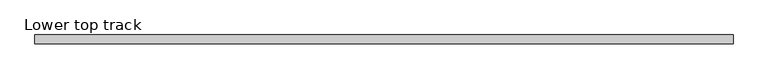
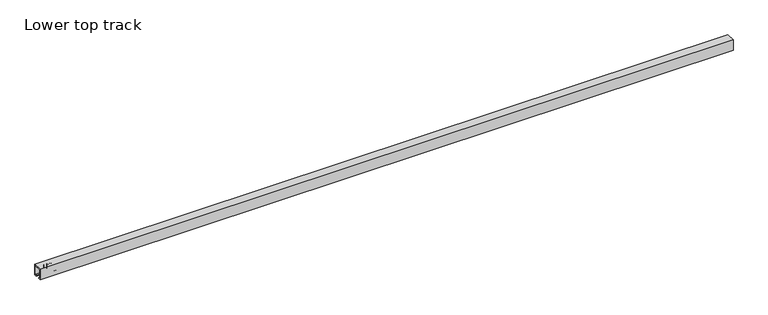
"""IFC4 building model written with IfcOpenShell, lengths in millimetres: proxy geometry, Lower top track."""

from ifc_helpers import new_model, si_unit, point, frame, frame_2d, origin, place, context, project, spatial, polyline, circle_curve, trimmed, segment, composite_curve, outline, extrude, source, transform, mapped, element, save


def lower_top_track_56b049e5(model_context):
    return source(origin(), model_context, "Body", "SweptSolid", [
        extrude(outline(polyline([(25.5, 66.0), (25.5, 15.5), (20.0, 15.5), (20.0, 16.5287081), (24.5, 16.5287081), (24.5, 66.1316525), (25.9646369, 71.5977519), (26.9999131, 71.5977519), (25.5, 66.0)])), frame((0.0, -8.5, 0.0), z_axis=(0.0, 1.0, 0.0), x_axis=(0.0, 0.0, 1.0)), (0.0, 0.0, 1.0), 17.0),
        extrude(outline(composite_curve([segment(trimmed(circle_curve(frame_2d((24.2, 0.0)), 3.0), [point((27.2, 0.0))], [point((21.2, 0.0))], False, "CARTESIAN"), True, "CONTINUOUS"), segment(trimmed(circle_curve(frame_2d((24.2, 0.0)), 3.0), [point((21.2, 0.0))], [point((27.2, 0.0))], False, "CARTESIAN"), True, "CONTINUOUS")], self_intersect=False)), frame((0.0, 0.0, 20.0), z_axis=(0.0, 0.0, 1.0), x_axis=(1.0, 0.0, 0.0)), (0.0, 0.0, 1.0), 15.7),
        extrude(outline(composite_curve([segment(trimmed(circle_curve(frame_2d((34.2, 0.0)), 3.0), [point((37.2, 0.0))], [point((31.2, 0.0))], False, "CARTESIAN"), True, "CONTINUOUS"), segment(trimmed(circle_curve(frame_2d((34.2, 0.0)), 3.0), [point((31.2, 0.0))], [point((37.2, 0.0))], False, "CARTESIAN"), True, "CONTINUOUS")], self_intersect=False)), frame((0.0, 0.0, 20.0), z_axis=(0.0, 0.0, 1.0), x_axis=(1.0, 0.0, 0.0)), (0.0, 0.0, 1.0), 15.7),
        extrude(outline(composite_curve([segment(trimmed(circle_curve(frame_2d((44.2, 0.0)), 3.0), [point((47.2, 0.0))], [point((41.2, 0.0))], False, "CARTESIAN"), True, "CONTINUOUS"), segment(trimmed(circle_curve(frame_2d((44.2, 0.0)), 3.0), [point((41.2, 0.0))], [point((47.2, 0.0))], False, "CARTESIAN"), True, "CONTINUOUS")], self_intersect=False)), frame((0.0, 0.0, 20.0), z_axis=(0.0, 0.0, 1.0), x_axis=(1.0, 0.0, 0.0)), (0.0, 0.0, 1.0), 15.7),
        extrude(outline(composite_curve([segment(trimmed(circle_curve(frame_2d((0.0, 10.7221855)), 6.1947208), [point((6.1947208, 10.7221855))], [point((-6.1947208, 10.7221855))], False, "CARTESIAN"), True, "CONTINUOUS"), segment(trimmed(circle_curve(frame_2d((0.0, 10.7221855)), 6.1947208), [point((-6.1947208, 10.7221855))], [point((6.1947208, 10.7221855))], False, "CARTESIAN"), True, "CONTINUOUS")], self_intersect=False)), frame((54.2, 0.0, 0.0), z_axis=(1.0, 0.0, 0.0), x_axis=(0.0, 1.0, 0.0)), (0.0, 0.0, 1.0), 6.0),
        extrude(outline(polyline([(13.0, -8.5), (13.0, 8.5), (54.2, 8.5), (54.2, -8.5), (13.0, -8.5)])), frame((0.0, 0.0, 3.0), z_axis=(0.0, 0.0, 1.0), x_axis=(1.0, 0.0, 0.0)), (0.0, 0.0, 1.0), 17.0),
        extrude(outline(polyline([(15.0, 37.0), (15.0, 0.0), (7.0, 0.0), (7.0, 3.0), (12.0, 3.0), (12.0, 34.0), (-12.0, 34.0), (-12.0, 3.0), (-7.0, 3.0), (-7.0, 0.0), (-15.0, 0.0), (-15.0, 37.0), (15.0, 37.0)])), frame((0.0, 0.0, 0.0), z_axis=(1.0, 0.0, 0.0), x_axis=(0.0, 1.0, 0.0)), (0.0, 0.0, 1.0), 2350.0),
    ])


if __name__ == "__main__":
    model = new_model("IFC4")
    model_context = context("Model", 3, world=origin())
    ifc_project = project(units=[si_unit("LENGTHUNIT", "METRE", prefix="MILLI")], contexts=[model_context])
    site = spatial("IfcSite", under=ifc_project)
    building = spatial("IfcBuilding", under=site)
    placement = place(None, origin())
    lower_top_track_shape = lower_top_track_56b049e5(model_context)
    element("IfcBuildingElementProxy", 1, Name="Lower top track", ObjectType="Lower top track", at=placement, inside=building, context=model_context, shape_type="MappedRepresentation", body=[
        mapped(lower_top_track_shape, transform((0.0, 0.0, 0.0), x_axis=(1.0, 0.0, 0.0), y_axis=(0.0, 1.0, 0.0), z_axis=(0.0, 0.0, 1.0))),
    ])
    save(model, "model.ifc")
